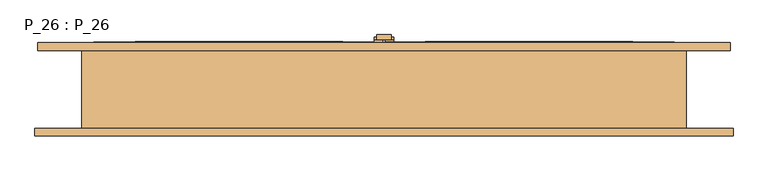
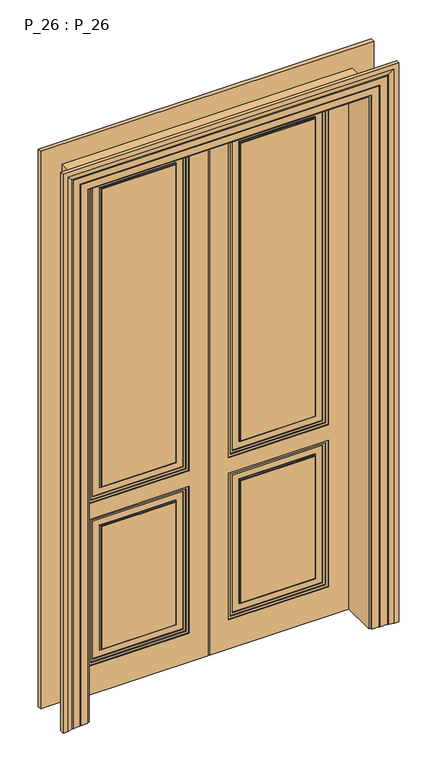
"""IFC4 building model written with IfcOpenShell, lengths in millimetres: door geometry, P_26 : P_26."""

from ifc_helpers import new_model, si_unit, frame, origin, origin_with_axes, place, context, project, spatial, polyline, outline, extrude, faceted_brep, source, transform, mapped, element, save


def p_26_p_26_7280dc71(model_context):
    return source(origin(), model_context, "Body", "SolidModel", [
        faceted_brep([(-2.5, 80.0, 2400.0), (-600.0, 80.0, 2400.0), (-600.0, 80.0, 0.0), (-2.5, 80.0, 0.0), (-600.0, 90.0, 0.0), (-600.0, 85.0, 2400.0), (-600.0, 90.0, 2400.0), (-595.0, 90.0, 0.0), (-595.0, 97.0, 0.0), (-2.5, 97.0, 0.0), (-2.5, 97.0, 2395.0), (-2.5, 90.0, 2395.0), (-2.5, 90.0, 2400.0), (-85.0, 90.0, 2310.0), (-85.0, 90.0, 860.0), (-510.0, 90.0, 860.0), (-510.0, 90.0, 2310.0), (-85.0, 90.0, 790.0), (-85.0, 90.0, 130.0), (-510.0, 90.0, 130.0), (-510.0, 90.0, 790.0), (-595.0, 90.0, 2395.0), (-85.0, 97.0, 2310.0), (-85.0, 97.0, 860.0), (-510.0, 97.0, 860.0), (-510.0, 97.0, 2310.0), (-85.0, 97.0, 790.0), (-85.0, 97.0, 130.0), (-510.0, 97.0, 130.0), (-510.0, 97.0, 790.0), (-595.0, 97.0, 2395.0)], [[[0, 1, 2, 3]], [[4, 2, 1, 5, 6]], [[3, 2, 4, 7, 8, 9]], [[0, 3, 9, 10, 11, 12]], [[13, 14, 15, 16]], [[17, 18, 19, 20]], [[4, 6, 12, 11, 21, 7]], [[22, 23, 14, 13]], [[23, 24, 15, 14]], [[24, 25, 16, 15]], [[26, 27, 18, 17]], [[27, 28, 19, 18]], [[28, 29, 20, 19]], [[29, 26, 17, 20]], [[30, 8, 7, 21]], [[8, 30, 10, 9], [23, 22, 25, 24], [27, 26, 29, 28]], [[1, 0, 12, 6, 5]], [[25, 22, 13, 16]], [[10, 30, 21, 11]]]),
        faceted_brep([(595.0, 97.0, 0.0), (2.5, 97.0, 0.0), (2.5, 97.0, 2395.0), (595.0, 97.0, 2395.0), (85.0, 97.0, 860.0), (510.0, 97.0, 860.0), (510.0, 97.0, 2310.0), (85.0, 97.0, 2310.0), (85.0, 97.0, 130.0), (510.0, 97.0, 130.0), (510.0, 97.0, 790.0), (85.0, 97.0, 790.0), (595.0, 95.0, 0.0), (600.0, 95.0, 0.0), (600.0, 80.0, 0.0), (2.5, 80.0, 0.0), (2.5, 80.0, 2400.0), (2.5, 95.0, 2400.0), (2.5, 95.0, 2395.0), (595.0, 95.0, 2395.0), (85.0, 90.0, 130.0), (510.0, 90.0, 130.0), (510.0, 90.0, 790.0), (85.0, 90.0, 790.0), (85.0, 90.0, 860.0), (510.0, 90.0, 860.0), (510.0, 90.0, 2310.0), (85.0, 90.0, 2310.0), (600.0, 95.0, 2400.0), (600.0, 80.0, 2400.0)], [[[0, 1, 2, 3], [4, 5, 6, 7], [8, 9, 10, 11]], [[1, 0, 12, 13, 14, 15]], [[2, 1, 15, 16, 17, 18]], [[0, 3, 19, 12]], [[9, 8, 20, 21]], [[10, 9, 21, 22]], [[11, 10, 22, 23]], [[8, 11, 23, 20]], [[5, 4, 24, 25]], [[6, 5, 25, 26]], [[4, 7, 27, 24]], [[20, 23, 22, 21]], [[24, 27, 26, 25]], [[13, 12, 19, 18, 17, 28]], [[14, 13, 28, 29]], [[16, 15, 14, 29]], [[3, 2, 18, 19]], [[7, 6, 26, 27]], [[29, 28, 17, 16]]]),
        extrude(outline(polyline([(15.0, 102.0), (-15.0, 102.0), (-15.0, 112.0), (15.0, 112.0), (15.0, 102.0)])), origin_with_axes(), (0.0, 0.0, 1.0), 2400.0),
        extrude(outline(polyline([(20.0, 102.0), (15.0, 102.0), (15.0, 107.0), (20.0, 107.0), (20.0, 102.0)])), origin_with_axes(), (0.0, 0.0, 1.0), 2400.0),
        extrude(outline(polyline([(-15.0, 102.0), (-20.0, 102.0), (-20.0, 107.0), (-15.0, 107.0), (-15.0, 102.0)])), origin_with_axes(), (0.0, 0.0, 1.0), 2400.0),
        extrude(outline(polyline([(2310.0, -85.0), (2310.0, -510.0), (860.0, -510.0), (860.0, -85.0), (2310.0, -85.0)]), holes=[polyline([(2300.0, -95.0), (870.0, -95.0), (870.0, -500.0), (2300.0, -500.0), (2300.0, -95.0)])]), frame((0.0, 72.0, 0.0), z_axis=(0.0, 1.0, 0.0), x_axis=(0.0, 0.0, 1.0)), (0.0, 0.0, 1.0), 8.0),
        extrude(outline(polyline([(130.0, -510.0), (130.0, -85.0), (790.0, -85.0), (790.0, -510.0), (130.0, -510.0)]), holes=[polyline([(780.0, -95.0), (140.0, -95.0), (140.0, -500.0), (780.0, -500.0), (780.0, -95.0)])]), frame((0.0, 72.0, 0.0), z_axis=(0.0, 1.0, 0.0), x_axis=(0.0, 0.0, 1.0)), (0.0, 0.0, 1.0), 8.0),
        extrude(outline(polyline([(0.0, -595.0), (0.0, -2.5), (2395.0, -2.5), (2395.0, -595.0), (0.0, -595.0)]), holes=[polyline([(860.0, -85.0), (860.0, -510.0), (2310.0, -510.0), (2310.0, -85.0), (860.0, -85.0)]), polyline([(130.0, -85.0), (130.0, -510.0), (790.0, -510.0), (790.0, -85.0), (130.0, -85.0)])]), frame((0.0, 68.0, 0.0), z_axis=(0.0, 1.0, 0.0), x_axis=(0.0, 0.0, 1.0)), (0.0, 0.0, 1.0), 12.0),
        extrude(outline(polyline([(130.0, 510.0), (790.0, 510.0), (790.0, 85.0), (130.0, 85.0), (130.0, 510.0)]), holes=[polyline([(780.0, 500.0), (140.0, 500.0), (140.0, 95.0), (780.0, 95.0), (780.0, 500.0)])]), frame((0.0, 72.0, 0.0), z_axis=(0.0, 1.0, 0.0), x_axis=(0.0, 0.0, 1.0)), (0.0, 0.0, 1.0), 8.0),
        extrude(outline(polyline([(2310.0, 85.0), (860.0, 85.0), (860.0, 510.0), (2310.0, 510.0), (2310.0, 85.0)]), holes=[polyline([(2300.0, 95.0), (2300.0, 500.0), (870.0, 500.0), (870.0, 95.0), (2300.0, 95.0)])]), frame((0.0, 72.0, 0.0), z_axis=(0.0, 1.0, 0.0), x_axis=(0.0, 0.0, 1.0)), (0.0, 0.0, 1.0), 8.0),
        extrude(outline(polyline([(0.0, 595.0), (2395.0, 595.0), (2395.0, 2.5), (0.0, 2.5), (0.0, 595.0)]), holes=[polyline([(130.0, 85.0), (790.0, 85.0), (790.0, 510.0), (130.0, 510.0), (130.0, 85.0)]), polyline([(860.0, 85.0), (2310.0, 85.0), (2310.0, 510.0), (860.0, 510.0), (860.0, 85.0)])]), frame((0.0, 68.0, 0.0), z_axis=(0.0, 1.0, 0.0), x_axis=(0.0, 0.0, 1.0)), (0.0, 0.0, 1.0), 12.0),
        extrude(outline(polyline([(860.0, -85.0), (2310.0, -85.0), (2310.0, -510.0), (860.0, -510.0), (860.0, -85.0)]), holes=[polyline([(2300.0, -95.0), (870.0, -95.0), (870.0, -500.0), (2300.0, -500.0), (2300.0, -95.0)])]), frame((0.0, 90.0, 0.0), z_axis=(0.0, 1.0, 0.0), x_axis=(0.0, 0.0, 1.0)), (0.0, 0.0, 1.0), 8.0),
        extrude(outline(polyline([(130.0, -510.0), (130.0, -85.0), (790.0, -85.0), (790.0, -510.0), (130.0, -510.0)]), holes=[polyline([(780.0, -95.0), (140.0, -95.0), (140.0, -500.0), (780.0, -500.0), (780.0, -95.0)])]), frame((0.0, 90.0, 0.0), z_axis=(0.0, 1.0, 0.0), x_axis=(0.0, 0.0, 1.0)), (0.0, 0.0, 1.0), 8.0),
        extrude(outline(polyline([(2310.0, 85.0), (860.0, 85.0), (860.0, 510.0), (2310.0, 510.0), (2310.0, 85.0)]), holes=[polyline([(2300.0, 95.0), (2300.0, 500.0), (870.0, 500.0), (870.0, 95.0), (2300.0, 95.0)])]), frame((0.0, 90.0, 0.0), z_axis=(0.0, 1.0, 0.0), x_axis=(0.0, 0.0, 1.0)), (0.0, 0.0, 1.0), 8.0),
        extrude(outline(polyline([(130.0, 510.0), (790.0, 510.0), (790.0, 85.0), (130.0, 85.0), (130.0, 510.0)]), holes=[polyline([(780.0, 95.0), (780.0, 500.0), (140.0, 500.0), (140.0, 95.0), (780.0, 95.0)])]), frame((0.0, 90.0, 0.0), z_axis=(0.0, 1.0, 0.0), x_axis=(0.0, 0.0, 1.0)), (0.0, 0.0, 1.0), 8.0),
        faceted_brep([(710.0, 80.0, 0.0), (620.0, 80.0, 0.0), (620.0, -80.0, 0.0), (716.0, -80.0, 0.0), (716.0, -96.0, 0.0), (696.0, -96.0, 0.0), (676.0, -92.0291126, 0.0), (676.0, -91.0291126, 0.0), (671.0, -91.0291126, 0.0), (671.0, -90.0291126, 0.0), (641.0, -90.0291126, 0.0), (641.0, -89.0291126, 0.0), (636.0, -89.0291126, 0.0), (636.0, -88.0291126, 0.0), (606.0, -88.0291126, 0.0), (606.0, -80.0, 0.0), (596.0, -80.0, 0.0), (596.0, 80.0, 0.0), (606.0, 80.0, 0.0), (606.0, 88.0291126, 0.0), (636.0, 88.0291126, 0.0), (636.0, 89.0291126, 0.0), (641.0, 89.0291126, 0.0), (641.0, 90.0291126, 0.0), (665.0, 90.0291126, 0.0), (665.0, 91.0291126, 0.0), (670.0, 91.0291126, 0.0), (670.0, 92.0291126, 0.0), (690.0, 96.0, 0.0), (710.0, 96.0, 0.0), (710.0, 80.0, 2510.0), (-710.0, 80.0, 2510.0), (-710.0, 80.0, 0.0), (-620.0, 80.0, 0.0), (-620.0, 80.0, 2420.0), (620.0, 80.0, 2420.0), (620.0, -80.0, 2420.0), (-620.0, -80.0, 2420.0), (-620.0, -80.0, 0.0), (-716.0, -80.0, 0.0), (-716.0, -80.0, 2516.0), (716.0, -80.0, 2516.0), (716.0, -96.0, 2516.0), (-716.0, -96.0, 2516.0), (-716.0, -96.0, 0.0), (-696.0, -96.0, 0.0), (-696.0, -96.0, 2496.0), (696.0, -96.0, 2496.0), (676.0, -92.0291126, 2476.0), (676.0, -91.0291126, 2476.0), (-676.0, -91.0291126, 2476.0), (-676.0, -91.0291126, 0.0), (-671.0, -91.0291126, 0.0), (-671.0, -91.0291126, 2471.0), (671.0, -91.0291126, 2471.0), (671.0, -90.0291126, 2471.0), (-671.0, -90.0291126, 2471.0), (-671.0, -90.0291126, 0.0), (-641.0, -90.0291126, 0.0), (-641.0, -90.0291126, 2441.0), (641.0, -90.0291126, 2441.0), (641.0, -89.0291126, 2441.0), (-641.0, -89.0291126, 2441.0), (-641.0, -89.0291126, 0.0), (-636.0, -89.0291126, 0.0), (-636.0, -89.0291126, 2436.0), (636.0, -89.0291126, 2436.0), (636.0, -88.0291126, 2436.0), (-636.0, -88.0291126, 2436.0), (-636.0, -88.0291126, 0.0), (-606.0, -88.0291126, 0.0), (-606.0, -88.0291126, 2406.0), (606.0, -88.0291126, 2406.0), (606.0, -80.0, 2406.0), (-606.0, -80.0, 2406.0), (-606.0, -80.0, 0.0), (-596.0, -80.0, 0.0), (-596.0, -80.0, 2396.0), (596.0, -80.0, 2396.0), (596.0, 80.0, 2396.0), (-596.0, 80.0, 2396.0), (-596.0, 80.0, 0.0), (-606.0, 80.0, 0.0), (-606.0, 80.0, 2406.0), (606.0, 80.0, 2406.0), (606.0, 88.0291126, 2406.0), (-606.0, 88.0291126, 2406.0), (-606.0, 88.0291126, 0.0), (-636.0, 88.0291126, 0.0), (-636.0, 88.0291126, 2436.0), (636.0, 88.0291126, 2436.0), (636.0, 89.0291126, 2436.0), (-636.0, 89.0291126, 2436.0), (-636.0, 89.0291126, 0.0), (-641.0, 89.0291126, 0.0), (-641.0, 89.0291126, 2441.0), (641.0, 89.0291126, 2441.0), (641.0, 90.0291126, 2441.0), (-641.0, 90.0291126, 2441.0), (-641.0, 90.0291126, 0.0), (-665.0, 90.0291126, 0.0), (-665.0, 90.0291126, 2465.0), (665.0, 90.0291126, 2465.0), (665.0, 91.0291126, 2465.0), (-665.0, 91.0291126, 2465.0), (-665.0, 91.0291126, 0.0), (-670.0, 91.0291126, 0.0), (-670.0, 91.0291126, 2470.0), (670.0, 91.0291126, 2470.0), (670.0, 92.0291126, 2470.0), (690.0, 96.0, 2490.0), (-690.0, 96.0, 2490.0), (-690.0, 96.0, 0.0), (-710.0, 96.0, 0.0), (-710.0, 96.0, 2510.0), (710.0, 96.0, 2510.0), (-670.0, 92.0291126, 0.0), (-676.0, -92.0291126, 0.0), (-670.0, 92.0291126, 2470.0), (-676.0, -92.0291126, 2476.0)], [[[0, 1, 2, 3, 4, 5, 6, 7, 8, 9, 10, 11, 12, 13, 14, 15, 16, 17, 18, 19, 20, 21, 22, 23, 24, 25, 26, 27, 28, 29]], [[1, 0, 30, 31, 32, 33, 34, 35]], [[2, 1, 35, 36]], [[3, 2, 36, 37, 38, 39, 40, 41]], [[4, 3, 41, 42]], [[5, 4, 42, 43, 44, 45, 46, 47]], [[6, 5, 47, 48]], [[7, 6, 48, 49]], [[8, 7, 49, 50, 51, 52, 53, 54]], [[9, 8, 54, 55]], [[10, 9, 55, 56, 57, 58, 59, 60]], [[11, 10, 60, 61]], [[12, 11, 61, 62, 63, 64, 65, 66]], [[13, 12, 66, 67]], [[14, 13, 67, 68, 69, 70, 71, 72]], [[15, 14, 72, 73]], [[16, 15, 73, 74, 75, 76, 77, 78]], [[17, 16, 78, 79]], [[18, 17, 79, 80, 81, 82, 83, 84]], [[19, 18, 84, 85]], [[20, 19, 85, 86, 87, 88, 89, 90]], [[21, 20, 90, 91]], [[22, 21, 91, 92, 93, 94, 95, 96]], [[23, 22, 96, 97]], [[24, 23, 97, 98, 99, 100, 101, 102]], [[25, 24, 102, 103]], [[26, 25, 103, 104, 105, 106, 107, 108]], [[27, 26, 108, 109]], [[28, 27, 109, 110]], [[29, 28, 110, 111, 112, 113, 114, 115]], [[0, 29, 115, 30]], [[31, 114, 113, 32]], [[32, 113, 112, 116, 106, 105, 100, 99, 94, 93, 88, 87, 82, 81, 76, 75, 70, 69, 64, 63, 58, 57, 52, 51, 117, 45, 44, 39, 38, 33]], [[37, 34, 33, 38]], [[74, 71, 70, 75]], [[80, 77, 76, 81]], [[86, 83, 82, 87]], [[111, 118, 116, 112]], [[118, 107, 106, 116]], [[104, 101, 100, 105]], [[98, 95, 94, 99]], [[92, 89, 88, 93]], [[68, 65, 64, 69]], [[62, 59, 58, 63]], [[56, 53, 52, 57]], [[50, 119, 117, 51]], [[119, 46, 45, 117]], [[43, 40, 39, 44]], [[30, 115, 114, 31]], [[36, 35, 34, 37]], [[73, 72, 71, 74]], [[79, 78, 77, 80]], [[85, 84, 83, 86]], [[91, 90, 89, 92]], [[97, 96, 95, 98]], [[103, 102, 101, 104]], [[109, 108, 107, 118]], [[110, 109, 118, 111]], [[42, 41, 40, 43]], [[48, 47, 46, 119]], [[49, 48, 119, 50]], [[55, 54, 53, 56]], [[61, 60, 59, 62]], [[67, 66, 65, 68]]]),
        extrude(outline(polyline([(-455.0, 80.0), (-140.0, 80.0), (-140.0, 72.0), (-455.0, 72.0), (-455.0, 80.0)])), frame((0.0, 0.0, 185.0), z_axis=(0.0, 0.0, 1.0), x_axis=(1.0, 0.0, 0.0)), (0.0, 0.0, 1.0), 550.0),
        extrude(outline(polyline([(-455.0, 80.0), (-140.0, 80.0), (-140.0, 72.0), (-455.0, 72.0), (-455.0, 80.0)])), frame((0.0, 0.0, 915.0), z_axis=(0.0, 0.0, 1.0), x_axis=(1.0, 0.0, 0.0)), (0.0, 0.0, 1.0), 1340.0),
        extrude(outline(polyline([(780.0, -95.0), (780.0, -500.0), (140.0, -500.0), (140.0, -95.0), (780.0, -95.0)]), holes=[polyline([(770.0, -105.0), (150.0, -105.0), (150.0, -490.0), (770.0, -490.0), (770.0, -105.0)])]), frame((0.0, 76.0, 0.0), z_axis=(0.0, 1.0, 0.0), x_axis=(0.0, 0.0, 1.0)), (0.0, 0.0, 1.0), 4.0),
        extrude(outline(polyline([(740.0, -135.0), (740.0, -460.0), (180.0, -460.0), (180.0, -135.0), (740.0, -135.0)]), holes=[polyline([(735.0, -140.0), (185.0, -140.0), (185.0, -455.0), (735.0, -455.0), (735.0, -140.0)])]), frame((0.0, 76.0, 0.0), z_axis=(0.0, 1.0, 0.0), x_axis=(0.0, 0.0, 1.0)), (0.0, 0.0, 1.0), 4.0),
        extrude(outline(polyline([(910.0, -460.0), (910.0, -135.0), (2260.0, -135.0), (2260.0, -460.0), (910.0, -460.0)]), holes=[polyline([(2255.0, -140.0), (915.0, -140.0), (915.0, -455.0), (2255.0, -455.0), (2255.0, -140.0)])]), frame((0.0, 76.0, 0.0), z_axis=(0.0, 1.0, 0.0), x_axis=(0.0, 0.0, 1.0)), (0.0, 0.0, 1.0), 4.0),
        extrude(outline(polyline([(2300.0, -95.0), (2300.0, -500.0), (870.0, -500.0), (870.0, -95.0), (2300.0, -95.0)]), holes=[polyline([(2290.0, -105.0), (880.0, -105.0), (880.0, -490.0), (2290.0, -490.0), (2290.0, -105.0)])]), frame((0.0, 76.0, 0.0), z_axis=(0.0, 1.0, 0.0), x_axis=(0.0, 0.0, 1.0)), (0.0, 0.0, 1.0), 4.0),
        extrude(outline(polyline([(140.0, 80.0), (455.0, 80.0), (455.0, 72.0), (140.0, 72.0), (140.0, 80.0)])), frame((0.0, 0.0, 185.0), z_axis=(0.0, 0.0, 1.0), x_axis=(1.0, 0.0, 0.0)), (0.0, 0.0, 1.0), 550.0),
        extrude(outline(polyline([(140.0, 80.0), (455.0, 80.0), (455.0, 72.0), (140.0, 72.0), (140.0, 80.0)])), frame((0.0, 0.0, 915.0), z_axis=(0.0, 0.0, 1.0), x_axis=(1.0, 0.0, 0.0)), (0.0, 0.0, 1.0), 1340.0),
        extrude(outline(polyline([(2300.0, 95.0), (870.0, 95.0), (870.0, 500.0), (2300.0, 500.0), (2300.0, 95.0)]), holes=[polyline([(2290.0, 105.0), (2290.0, 490.0), (880.0, 490.0), (880.0, 105.0), (2290.0, 105.0)])]), frame((0.0, 76.0, 0.0), z_axis=(0.0, 1.0, 0.0), x_axis=(0.0, 0.0, 1.0)), (0.0, 0.0, 1.0), 4.0),
        extrude(outline(polyline([(2260.0, 135.0), (910.0, 135.0), (910.0, 460.0), (2260.0, 460.0), (2260.0, 135.0)]), holes=[polyline([(2255.0, 140.0), (2255.0, 455.0), (915.0, 455.0), (915.0, 140.0), (2255.0, 140.0)])]), frame((0.0, 76.0, 0.0), z_axis=(0.0, 1.0, 0.0), x_axis=(0.0, 0.0, 1.0)), (0.0, 0.0, 1.0), 4.0),
        extrude(outline(polyline([(780.0, 500.0), (780.0, 95.0), (140.0, 95.0), (140.0, 500.0), (780.0, 500.0)]), holes=[polyline([(770.0, 490.0), (150.0, 490.0), (150.0, 105.0), (770.0, 105.0), (770.0, 490.0)])]), frame((0.0, 76.0, 0.0), z_axis=(0.0, 1.0, 0.0), x_axis=(0.0, 0.0, 1.0)), (0.0, 0.0, 1.0), 4.0),
        extrude(outline(polyline([(740.0, 460.0), (740.0, 135.0), (180.0, 135.0), (180.0, 460.0), (740.0, 460.0)]), holes=[polyline([(735.0, 455.0), (185.0, 455.0), (185.0, 140.0), (735.0, 140.0), (735.0, 455.0)])]), frame((0.0, 76.0, 0.0), z_axis=(0.0, 1.0, 0.0), x_axis=(0.0, 0.0, 1.0)), (0.0, 0.0, 1.0), 4.0),
        extrude(outline(polyline([(-140.0, 90.0), (-455.0, 90.0), (-455.0, 98.0), (-140.0, 98.0), (-140.0, 90.0)])), frame((0.0, 0.0, 185.0), z_axis=(0.0, 0.0, 1.0), x_axis=(1.0, 0.0, 0.0)), (0.0, 0.0, 1.0), 550.0),
        extrude(outline(polyline([(-140.0, 90.0), (-455.0, 90.0), (-455.0, 98.0), (-140.0, 98.0), (-140.0, 90.0)])), frame((0.0, 0.0, 915.0), z_axis=(0.0, 0.0, 1.0), x_axis=(1.0, 0.0, 0.0)), (0.0, 0.0, 1.0), 1340.0),
        extrude(outline(polyline([(2300.0, -95.0), (2300.0, -500.0), (870.0, -500.0), (870.0, -95.0), (2300.0, -95.0)]), holes=[polyline([(2290.0, -105.0), (880.0, -105.0), (880.0, -490.0), (2290.0, -490.0), (2290.0, -105.0)])]), frame((0.0, 90.0, 0.0), z_axis=(0.0, 1.0, 0.0), x_axis=(0.0, 0.0, 1.0)), (0.0, 0.0, 1.0), 4.0),
        extrude(outline(polyline([(780.0, -95.0), (780.0, -500.0), (140.0, -500.0), (140.0, -95.0), (780.0, -95.0)]), holes=[polyline([(770.0, -105.0), (150.0, -105.0), (150.0, -490.0), (770.0, -490.0), (770.0, -105.0)])]), frame((0.0, 90.0, 0.0), z_axis=(0.0, 1.0, 0.0), x_axis=(0.0, 0.0, 1.0)), (0.0, 0.0, 1.0), 4.0),
        extrude(outline(polyline([(740.0, -135.0), (740.0, -460.0), (180.0, -460.0), (180.0, -135.0), (740.0, -135.0)]), holes=[polyline([(735.0, -140.0), (185.0, -140.0), (185.0, -455.0), (735.0, -455.0), (735.0, -140.0)])]), frame((0.0, 90.0, 0.0), z_axis=(0.0, 1.0, 0.0), x_axis=(0.0, 0.0, 1.0)), (0.0, 0.0, 1.0), 4.0),
        extrude(outline(polyline([(2260.0, -135.0), (2260.0, -460.0), (910.0, -460.0), (910.0, -135.0), (2260.0, -135.0)]), holes=[polyline([(2255.0, -140.0), (915.0, -140.0), (915.0, -455.0), (2255.0, -455.0), (2255.0, -140.0)])]), frame((0.0, 90.0, 0.0), z_axis=(0.0, 1.0, 0.0), x_axis=(0.0, 0.0, 1.0)), (0.0, 0.0, 1.0), 4.0),
        extrude(outline(polyline([(455.0, 90.0), (140.0, 90.0), (140.0, 98.0), (455.0, 98.0), (455.0, 90.0)])), frame((0.0, 0.0, 185.0), z_axis=(0.0, 0.0, 1.0), x_axis=(1.0, 0.0, 0.0)), (0.0, 0.0, 1.0), 550.0),
        extrude(outline(polyline([(455.0, 90.0), (140.0, 90.0), (140.0, 98.0), (455.0, 98.0), (455.0, 90.0)])), frame((0.0, 0.0, 915.0), z_axis=(0.0, 0.0, 1.0), x_axis=(1.0, 0.0, 0.0)), (0.0, 0.0, 1.0), 1340.0),
        extrude(outline(polyline([(780.0, 95.0), (140.0, 95.0), (140.0, 500.0), (780.0, 500.0), (780.0, 95.0)]), holes=[polyline([(770.0, 105.0), (770.0, 490.0), (150.0, 490.0), (150.0, 105.0), (770.0, 105.0)])]), frame((0.0, 90.0, 0.0), z_axis=(0.0, 1.0, 0.0), x_axis=(0.0, 0.0, 1.0)), (0.0, 0.0, 1.0), 4.0),
        extrude(outline(polyline([(740.0, 135.0), (180.0, 135.0), (180.0, 460.0), (740.0, 460.0), (740.0, 135.0)]), holes=[polyline([(735.0, 140.0), (735.0, 455.0), (185.0, 455.0), (185.0, 140.0), (735.0, 140.0)])]), frame((0.0, 90.0, 0.0), z_axis=(0.0, 1.0, 0.0), x_axis=(0.0, 0.0, 1.0)), (0.0, 0.0, 1.0), 4.0),
        extrude(outline(polyline([(910.0, 460.0), (2260.0, 460.0), (2260.0, 135.0), (910.0, 135.0), (910.0, 460.0)]), holes=[polyline([(2255.0, 140.0), (2255.0, 455.0), (915.0, 455.0), (915.0, 140.0), (2255.0, 140.0)])]), frame((0.0, 90.0, 0.0), z_axis=(0.0, 1.0, 0.0), x_axis=(0.0, 0.0, 1.0)), (0.0, 0.0, 1.0), 4.0),
        extrude(outline(polyline([(2300.0, 95.0), (870.0, 95.0), (870.0, 500.0), (2300.0, 500.0), (2300.0, 95.0)]), holes=[polyline([(2290.0, 105.0), (2290.0, 490.0), (880.0, 490.0), (880.0, 105.0), (2290.0, 105.0)])]), frame((0.0, 90.0, 0.0), z_axis=(0.0, 1.0, 0.0), x_axis=(0.0, 0.0, 1.0)), (0.0, 0.0, 1.0), 4.0),
        extrude(outline(polyline([(-2.5, 102.0), (-2.5, 95.0), (-20.0, 95.0), (-20.0, 102.0), (-2.5, 102.0)])), frame((0.0, 0.0, 2095.0), z_axis=(0.0, 0.0, 1.0), x_axis=(1.0, 0.0, 0.0)), (0.0, 0.0, 1.0), 305.0),
        extrude(outline(polyline([(2.5, 102.0), (20.0, 102.0), (20.0, 95.0), (2.5, 95.0), (2.5, 102.0)])), frame((0.0, 0.0, 2095.0), z_axis=(0.0, 0.0, 1.0), x_axis=(1.0, 0.0, 0.0)), (0.0, 0.0, 1.0), 5.0),
    ])


if __name__ == "__main__":
    model = new_model("IFC4")
    model_context = context("Model", 3, world=origin())
    ifc_project = project(units=[si_unit("LENGTHUNIT", "METRE", prefix="MILLI")], contexts=[model_context])
    site = spatial("IfcSite", under=ifc_project)
    building = spatial("IfcBuilding", under=site)
    placement = place(None, origin())
    p_26_p_26_shape = p_26_p_26_7280dc71(model_context)
    element("IfcDoor", 1, ObjectType="P_26 : P_26", at=placement, inside=building, context=model_context, shape_type="MappedRepresentation", body=[
        mapped(p_26_p_26_shape, transform((0.0, 0.0, 0.0), x_axis=(1.0, 0.0, 0.0), y_axis=(0.0, 1.0, 0.0), z_axis=(0.0, 0.0, 1.0))),
    ])
    save(model, "model.ifc")
